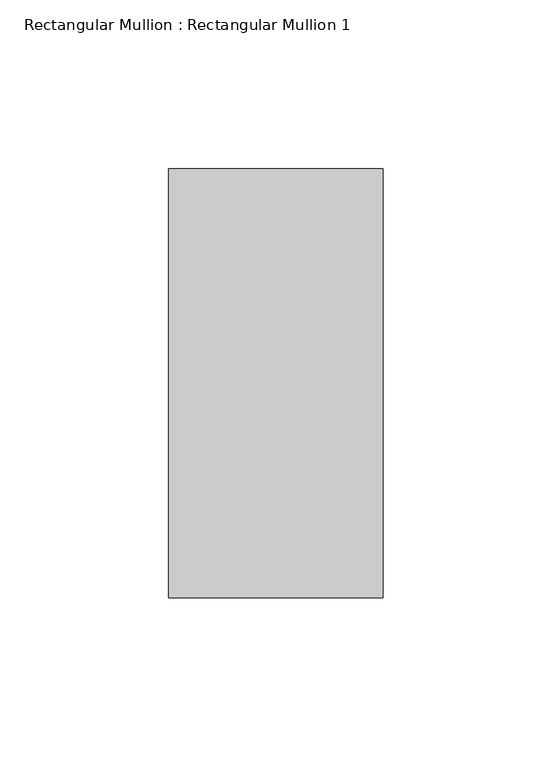
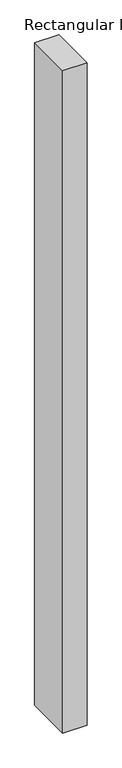
"""IFC4 building model written with IfcOpenShell, lengths in millimetres: member geometry, Rectangular Mullion : Rectangular Mullion 1."""

from ifc_helpers import new_model, si_unit, frame, origin, place, context, project, spatial, polyline, outline, extrude, source, transform, mapped, element, save


def rectangular_mullion_rectangular_mullion_1_d60e8053(model_context):
    return source(origin(), model_context, "Body", "SweptSolid", [
        extrude(outline(polyline([(31.75, 63.5), (31.75, -63.5), (-31.75, -63.5), (-31.75, 63.5), (31.75, 63.5)])), frame((0.0, 0.0, -1828.8), z_axis=(0.0, 0.0, 1.0), x_axis=(1.0, 0.0, 0.0)), (0.0, 0.0, 1.0), 1828.8),
    ])


if __name__ == "__main__":
    model = new_model("IFC4")
    model_context = context("Model", 3, world=origin())
    ifc_project = project(units=[si_unit("LENGTHUNIT", "METRE", prefix="MILLI")], contexts=[model_context])
    site = spatial("IfcSite", under=ifc_project)
    building = spatial("IfcBuilding", under=site)
    placement = place(None, origin())
    rectangular_mullion_rectangular_mullion_1_shape = rectangular_mullion_rectangular_mullion_1_d60e8053(model_context)
    element("IfcMember", 1, ObjectType="Rectangular Mullion : Rectangular Mullion 1", at=placement, inside=building, context=model_context, shape_type="MappedRepresentation", body=[
        mapped(rectangular_mullion_rectangular_mullion_1_shape, transform((0.0, 0.0, 0.0), x_axis=(1.0, 0.0, 0.0), y_axis=(0.0, 1.0, 0.0), z_axis=(0.0, 0.0, 1.0))),
    ])
    save(model, "model.ifc")
